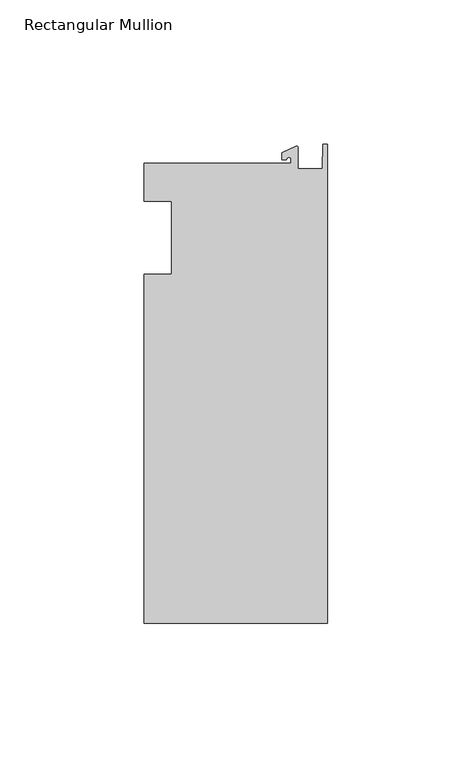
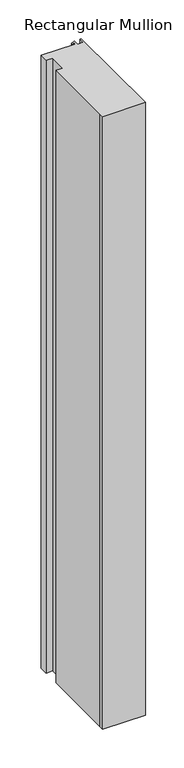
"""IFC4 building model written with IfcOpenShell, lengths in millimetres: member geometry, Rectangular Mullion."""

from ifc_helpers import new_model, si_unit, point, frame, frame_2d, origin, place, context, project, spatial, polyline, circle_curve, trimmed, segment, composite_curve, outline, extrude, source, transform, mapped, element, save


def rectangular_mullion_551ebe09(model_context):
    return source(origin(), model_context, "Body", "SweptSolid", [
        extrude(outline(composite_curve([segment(polyline([(-12.6173814, 25.796875), (-12.6173814, 27.0827507)]), True, "CONTINUOUS"), segment(trimmed(circle_curve(frame_2d((-13.4111314, 27.0827507)), 0.79375), [point((-12.6173814, 27.0827507))], [point((-14.2048814, 27.0827507))], True, "CARTESIAN"), True, "CONTINUOUS"), segment(polyline([(-14.2048814, 27.0827507), (-15.7923814, 27.0827507), (-15.7923814, 29.44495), (-10.9524715, 31.7018371)]), True, "CONTINUOUS"), segment(trimmed(circle_curve(frame_2d((-10.7377814, 31.2414327)), 0.508), [point((-10.9524715, 31.7018371))], [point((-10.2297814, 31.2414327))], False, "CARTESIAN"), True, "CONTINUOUS"), segment(polyline([(-10.2297814, 31.2414327), (-10.2297814, 23.9227662), (-1.7144124, 23.9227662), (-1.5658966, 32.288874), (0.0, 32.288874), (0.0, -133.34365), (-63.5, -133.34365), (-63.5, -125.8114907), (-63.5, -12.7), (-53.975, -12.7), (-53.975, 12.7), (-63.5, 12.7), (-63.5, 25.796875), (-12.6173814, 25.796875)]), True, "CONTINUOUS")], self_intersect=False)), frame((0.0, 0.0, -965.2), z_axis=(0.0, 0.0, 1.0), x_axis=(1.0, 0.0, 0.0)), (0.0, 0.0, 1.0), 965.2),
    ])


if __name__ == "__main__":
    model = new_model("IFC4")
    model_context = context("Model", 3, world=origin())
    ifc_project = project(units=[si_unit("LENGTHUNIT", "METRE", prefix="MILLI")], contexts=[model_context])
    site = spatial("IfcSite", under=ifc_project)
    building = spatial("IfcBuilding", under=site)
    placement = place(None, origin())
    rectangular_mullion_shape = rectangular_mullion_551ebe09(model_context)
    element("IfcMember", 1, ObjectType="Rectangular Mullion", at=placement, inside=building, context=model_context, shape_type="MappedRepresentation", body=[
        mapped(rectangular_mullion_shape, transform((0.0, 0.0, 0.0), x_axis=(1.0, 0.0, 0.0), y_axis=(0.0, 1.0, 0.0), z_axis=(0.0, 0.0, 1.0))),
    ])
    save(model, "model.ifc")
